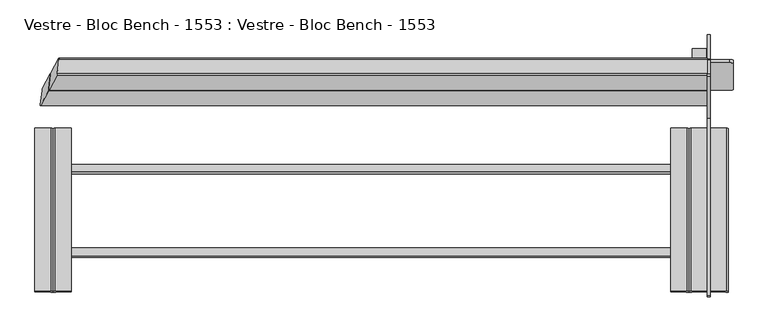
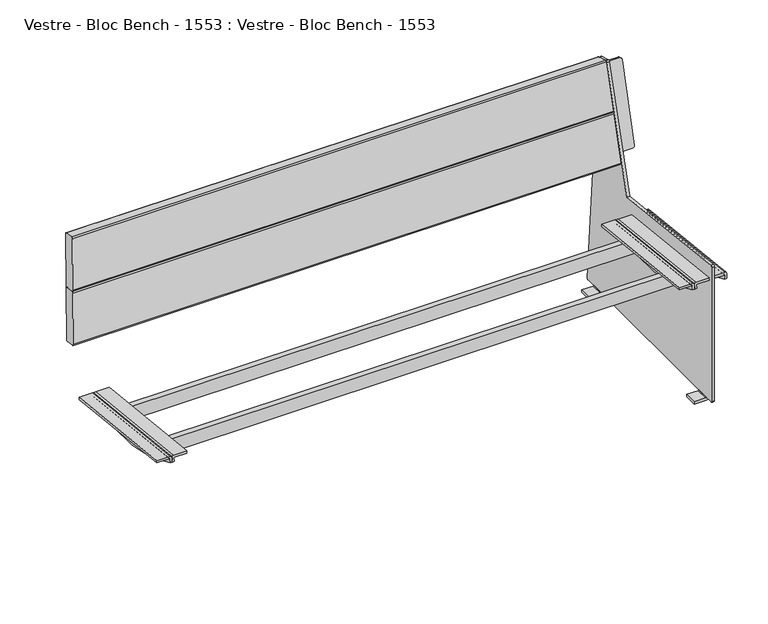
"""IFC4 building model written with IfcOpenShell, lengths in millimetres: furniture geometry, Vestre - Bloc Bench - 1553 : Vestre - Bloc Bench - 1553."""

from ifc_helpers import new_model, si_unit, frame, origin, place, context, project, spatial, polyline, circle_curve, ellipse_curve, outline, extrude, source, transform, mapped, element, save
from ifc_brep_helpers import plane_surface, cylinder_surface, revolved_surface, advanced_brep


def vestre_bloc_bench_1553_vestre_bloc_bench_1553_79bab432(model_context):
    return source(origin(), model_context, "Body", "SolidModel", [
        advanced_brep(
        [(913.5831908, -321.0984876, 392.7020678), (913.5831908, 96.5595156, 347.1443157), (913.5831908, 98.3166022, 363.2605016), (913.5831908, -319.3437805, 408.7964286), (907.5875968, 96.5595156, 347.1443157), (907.5875968, -321.0984876, 392.7020678), (907.5875968, -319.8223825, 404.4066392), (907.5875968, 97.8380001, 358.8707122), (909.5831908, -318.9102447, 412.772865), (867.597952, -318.9102447, 412.772865), (867.597952, -319.7193007, 405.3521172), (906.6365161, -319.7193007, 405.3521172), (906.6365161, 97.941082, 359.8161902), (867.597952, 97.941082, 359.8161902), (867.597952, 98.750138, 367.236938), (909.5831908, 98.750138, 367.236938)],
        [
            (0, 1, circle_curve(frame((913.5831908, -59.7670647, 851.2475639), z_axis=(1.0, 0.0, 0.0), x_axis=(0.0, -1.0, 0.0)), 527.7860216)),
            (1, 2),
            (2, 3),
            (3, 0),
            (4, 5, circle_curve(frame((907.5875968, -59.7670647, 851.2475639), z_axis=(-1.0, 0.0, 0.0), x_axis=(0.0, -1.0, 0.0)), 527.7860216)),
            (5, 6),
            (6, 7),
            (7, 4),
            (5, 0),
            (3, 8, circle_curve(frame((909.5831908, -319.3437805, 408.7964286), z_axis=(0.0, -0.9941091089617909, 0.10838394474826071), x_axis=(0.0, -0.10838394474826071, -0.9941091089617909)), 4.0)),
            (8, 9),
            (9, 10),
            (10, 11),
            (11, 6, circle_curve(frame((906.6365161, -319.8223825, 404.4066392), z_axis=(0.0, 0.9941091089617909, -0.10838394474826071), x_axis=(0.0, -0.10838394474826071, -0.9941091089617909)), 0.9510807)),
            (4, 1),
            (7, 12, circle_curve(frame((906.6365161, 97.8380001, 358.8707122), z_axis=(0.0, -0.9941091089617909, 0.10838394474826071), x_axis=(0.0, -0.10838394474826071, -0.9941091089617909)), 0.9510807)),
            (12, 13),
            (13, 14),
            (14, 15),
            (15, 2, circle_curve(frame((909.5831908, 98.3166022, 363.2605016), z_axis=(0.0, 0.9941091089617909, -0.10838394474826071), x_axis=(0.0, -0.10838394474826071, -0.9941091089617909)), 4.0)),
            (9, 14),
            (13, 10),
            (12, 11),
            (15, 8),
        ],
        [
            plane_surface(frame((913.5831908, -319.8564605, 404.0940726), z_axis=(1.0, 0.0, 0.0), x_axis=(0.0, -0.10838394474826007, -0.994109108961791))),
            plane_surface(frame((907.5875968, -319.8564605, 404.0940726), z_axis=(-1.0, 0.0, 0.0), x_axis=(0.0, 0.10838394474826007, 0.994109108961791))),
            plane_surface(frame((913.5831908, -319.8564605, 404.0940726), z_axis=(0.0, -0.994109108961791, 0.10838394474826007), x_axis=(-1.0, 0.0, 0.0))),
            cylinder_surface(frame((907.5875968, -59.7670647, 851.2475639), z_axis=(1.0, 0.0, 0.0), x_axis=(0.0, -1.0, 0.0)), 527.7860216),
            plane_surface(frame((913.5831908, 96.5595156, 347.1443157), z_axis=(0.0, 0.9941091089617916, -0.10838394474825458), x_axis=(-1.0, 0.0, 0.0))),
            plane_surface(frame((867.597952, -318.9102447, 412.772865), z_axis=(-1.0000000000000002, 0.0, 0.0), x_axis=(0.0, 0.994109108961791, -0.10838394474826066))),
            plane_surface(frame((867.597952, -319.7193007, 405.3521172), z_axis=(0.0, -0.10838394474826069, -0.994109108961791), x_axis=(0.0, 0.994109108961791, -0.10838394474826069))),
            revolved_surface(polyline([(906.6365161, 97.73491824228601, 357.9252342105562), (906.6365161, -319.92546445485533, 403.46116123677587)]), (906.6365161, 97.8380001, 358.8707122), (0.0, 0.9941091089617909, -0.10838394474826071)),
            cylinder_surface(frame((909.5831908, 98.3166022, 363.2605016), z_axis=(0.0, -0.9941091089617909, 0.10838394474826071), x_axis=(0.0, -0.10838394474826071, -0.9941091089617909)), 4.0),
            plane_surface(frame((909.5831908, -318.9102447, 412.772865), z_axis=(0.0, 0.10838394474826066, 0.994109108961791), x_axis=(0.0, 0.994109108961791, -0.10838394474826066))),
        ],
        [
            (0, [[1, 2, 3, 4]]),
            (1, [[5, 6, 7, 8]]),
            (2, [[-6, 9, -4, 10, 11, 12, 13, 14]]),
            (3, [[-1, -9, -5, 15]]),
            (4, [[-2, -15, -8, 16, 17, 18, 19, 20]]),
            (5, [[-12, 21, -18, 22]]),
            (6, [[-13, -22, -17, 23]]),
            (7, [[-14, -23, -16, -7]]),
            (8, [[-10, -3, -20, 24]]),
            (9, [[-11, -24, -19, -21]]),
        ],
    ),
        extrude(outline(polyline([(0.0, -19.9999999), (0.0, 0.0), (1612.8148813, 0.0), (1612.8148813, -19.9999999), (0.0, -19.9999999)])), frame((806.271869, -17.9230139, 331.2273795), z_axis=(0.0, 0.10862274800818965, 0.9940830441241564), x_axis=(-1.0, 0.0, 0.0)), (0.0, 0.0, 1.0), 40.0),
        extrude(outline(polyline([(0.0, -20.0), (0.0, 0.0), (1612.8148813, 0.0), (1612.8148813, -20.0), (0.0, -20.0)])), frame((806.271869, -232.1337214, 354.6340312), z_axis=(0.0, 0.10862274800818968, 0.9940830441241564), x_axis=(-1.0, 0.0, 0.0)), (0.0, 0.0, 1.0), 40.0),
        advanced_brep(
        [(766.5577736, -318.9102447, 412.772865), (766.5577736, -319.7193007, 405.3521172), (805.5963377, -319.7193007, 405.3521172), (806.5474184, -319.8223825, 404.4066392), (806.5474184, -321.0984876, 392.7020678), (812.5430123, -321.0984876, 392.7020678), (812.5430123, -319.8564605, 404.0940726), (812.5430123, -319.3437805, 408.7964286), (808.5430123, -318.9102447, 412.772865), (766.5577736, 98.750138, 367.236938), (808.5430123, 98.750138, 367.236938), (812.5430123, 98.3166022, 363.2605016), (812.5430123, 97.8039221, 358.5581456), (812.5430123, 96.5595156, 347.1443157), (806.5474184, 96.5595156, 347.1443157), (806.5474184, 97.8380001, 358.8707122), (805.5963377, 97.941082, 359.8161902), (766.5577736, 97.941082, 359.8161902)],
        [
            (0, 1),
            (1, 2),
            (2, 3, circle_curve(frame((805.5963377, -319.8223825, 404.4066392), z_axis=(0.0, 0.9941091089617909, -0.10838394474826071), x_axis=(0.0, -0.10838394474826071, -0.9941091089617909)), 0.9510807)),
            (3, 4),
            (4, 5),
            (5, 6),
            (6, 7),
            (7, 8, circle_curve(frame((808.5430123, -319.3437805, 408.7964286), z_axis=(0.0, -0.9941091089617909, 0.10838394474826071), x_axis=(0.0, -0.10838394474826071, -0.9941091089617909)), 4.0)),
            (8, 0),
            (9, 10),
            (10, 11, circle_curve(frame((808.5430123, 98.3166022, 363.2605016), z_axis=(0.0, 0.9941091089617909, -0.10838394474826071), x_axis=(0.0, -0.10838394474826071, -0.9941091089617909)), 4.0)),
            (11, 12),
            (12, 13),
            (13, 14),
            (14, 15),
            (15, 16, circle_curve(frame((805.5963377, 97.8380001, 358.8707122), z_axis=(0.0, -0.9941091089617909, 0.10838394474826071), x_axis=(0.0, -0.10838394474826071, -0.9941091089617909)), 0.9510807)),
            (16, 17),
            (17, 9),
            (0, 9),
            (17, 1),
            (16, 2),
            (15, 3),
            (14, 4, circle_curve(frame((806.5474184, -59.7670647, 851.2475639), z_axis=(-1.0, 0.0, 0.0), x_axis=(0.0, -1.0, 0.0)), 527.7860216)),
            (5, 13, circle_curve(frame((812.5430123, -59.7670647, 851.2475639), z_axis=(1.0, 0.0, 0.0), x_axis=(0.0, -1.0, 0.0)), 527.7860216)),
            (12, 6),
            (11, 7),
            (10, 8),
        ],
        [
            plane_surface(frame((766.5577736, -319.8423819, 404.223203), z_axis=(0.0, -0.9941091089617909, 0.10838394474826071), x_axis=(0.0, -0.10838394474826071, -0.9941091089617909))),
            plane_surface(frame((766.5577736, 97.8180007, 358.6872759), z_axis=(0.0, 0.9941091089617909, -0.10838394474826071), x_axis=(0.0, 0.10838394474826071, 0.9941091089617909))),
            plane_surface(frame((766.5577736, -318.9102447, 412.772865), z_axis=(-1.0000000000000002, 0.0, 0.0), x_axis=(0.0, 0.994109108961791, -0.10838394474826066))),
            plane_surface(frame((766.5577736, -319.7193007, 405.3521172), z_axis=(0.0, -0.10838394474826069, -0.994109108961791), x_axis=(0.0, 0.994109108961791, -0.10838394474826069))),
            revolved_surface(polyline([(805.5963377, 97.73491824228601, 357.9252342105562), (805.5963377, -319.92546445485533, 403.46116123677587)]), (805.5963377, 97.8380001, 358.8707122), (0.0, 0.9941091089617909, -0.10838394474826071)),
            plane_surface(frame((806.5474184, -319.8223825, 404.4066392), z_axis=(-1.0000000000000002, 0.0, 0.0), x_axis=(0.0, 0.994109108961791, -0.10838394474826064))),
            plane_surface(frame((812.5430123, -320.2027771, 400.9176199), z_axis=(1.0000000000000002, 0.0, 0.0), x_axis=(0.0, 0.994109108961791, -0.10838394474826066))),
            plane_surface(frame((812.5430123, -319.8564605, 404.0940726), z_axis=(1.0000000000000002, 0.0, 0.0), x_axis=(0.0, 0.994109108961791, -0.10838394474826066))),
            cylinder_surface(frame((808.5430123, 98.3166022, 363.2605016), z_axis=(0.0, -0.9941091089617909, 0.10838394474826071), x_axis=(0.0, -0.10838394474826071, -0.9941091089617909)), 4.0),
            plane_surface(frame((808.5430123, -318.9102447, 412.772865), z_axis=(0.0, 0.10838394474826066, 0.994109108961791), x_axis=(0.0, 0.994109108961791, -0.10838394474826066))),
            cylinder_surface(frame((806.5474184, -59.7670647, 851.2475639), z_axis=(1.0, 0.0, 0.0), x_axis=(0.0, -1.0, 0.0)), 527.7860216),
        ],
        [
            (0, [[1, 2, 3, 4, 5, 6, 7, 8, 9]]),
            (1, [[10, 11, 12, 13, 14, 15, 16, 17, 18]]),
            (2, [[-1, 19, -18, 20]]),
            (3, [[-2, -20, -17, 21]]),
            (4, [[-3, -21, -16, 22]]),
            (5, [[-4, -22, -15, 23]]),
            (6, [[-6, 24, -13, 25]]),
            (7, [[-7, -25, -12, 26]]),
            (8, [[-8, -26, -11, 27]]),
            (9, [[-9, -27, -10, -19]]),
            (10, [[-24, -5, -23, -14]]),
        ],
    ),
        advanced_brep(
        [(813.6175866, 96.5595156, 347.1443157), (813.6175866, -321.0984876, 392.7020678), (813.6175866, -319.360624, 408.6419375), (813.6175866, 98.2997586, 363.1060105), (819.6131806, -321.0984876, 392.7020678), (819.6131806, 96.5595156, 347.1443157), (819.6131806, 97.8380001, 358.8707122), (819.6131806, -319.8223825, 404.4066392), (820.5642613, -319.7193007, 405.3521172), (859.6028254, -319.7193007, 405.3521172), (859.6028254, -318.9270883, 412.6183739), (817.6175866, -318.9270883, 412.6183739), (817.6175866, 98.7332944, 367.0824469), (859.6028254, 98.7332944, 367.0824469), (859.6028254, 97.941082, 359.8161902), (820.5642613, 97.941082, 359.8161902)],
        [
            (0, 1, circle_curve(frame((813.6175866, -59.7670647, 851.2475639), z_axis=(-1.0, 0.0, 0.0), x_axis=(0.0, -1.0, 0.0)), 527.7860216)),
            (1, 2),
            (2, 3),
            (3, 0),
            (4, 5, circle_curve(frame((819.6131806, -59.7670647, 851.2475639), z_axis=(1.0, 0.0, 0.0), x_axis=(0.0, -1.0, 0.0)), 527.7860216)),
            (5, 6),
            (6, 7),
            (7, 4),
            (1, 4),
            (7, 8, circle_curve(frame((820.5642613, -319.8223825, 404.4066392), z_axis=(0.0, 0.9941091089617909, -0.10838394474826071), x_axis=(0.0, -0.10838394474826071, -0.9941091089617909)), 0.9510807)),
            (8, 9),
            (9, 10),
            (10, 11),
            (11, 2, circle_curve(frame((817.6175866, -319.360624, 408.6419375), z_axis=(0.0, -0.9941091089617909, 0.10838394474826071), x_axis=(0.0, -0.10838394474826071, -0.9941091089617909)), 4.0)),
            (0, 5),
            (3, 12, circle_curve(frame((817.6175866, 98.2997586, 363.1060105), z_axis=(0.0, 0.9941091089617909, -0.10838394474826071), x_axis=(0.0, -0.10838394474826071, -0.9941091089617909)), 4.0)),
            (12, 13),
            (13, 14),
            (14, 15),
            (15, 6, circle_curve(frame((820.5642613, 97.8380001, 358.8707122), z_axis=(0.0, -0.9941091089617909, 0.10838394474826071), x_axis=(0.0, -0.10838394474826071, -0.9941091089617909)), 0.9510807)),
            (9, 14),
            (13, 10),
            (8, 15),
            (11, 12),
        ],
        [
            plane_surface(frame((813.6175866, 97.8039221, 358.5581456), z_axis=(-1.0, 0.0, 0.0), x_axis=(0.0, 0.9941091089617913, -0.10838394474825762))),
            plane_surface(frame((819.6131806, 97.8039221, 358.5581456), z_axis=(1.0, 0.0, 0.0), x_axis=(0.0, -0.9941091089617913, 0.10838394474825762))),
            plane_surface(frame((813.6175866, -321.0984876, 392.7020678), z_axis=(0.0, -0.9941091089617909, 0.10838394474826071), x_axis=(1.0, 0.0, 0.0))),
            cylinder_surface(frame((819.6131806, -59.7670647, 851.2475639), z_axis=(-1.0, 0.0, 0.0), x_axis=(0.0, -1.0, 0.0)), 527.7860216),
            plane_surface(frame((813.6175866, 97.8039221, 358.5581456), z_axis=(0.0, 0.9941091089617916, -0.10838394474825458), x_axis=(1.0, 0.0, 0.0))),
            plane_surface(frame((859.6028254, -319.7193007, 405.3521172), z_axis=(1.0000000000000002, 0.0, 0.0), x_axis=(0.0, 0.994109108961791, -0.10838394474826066))),
            plane_surface(frame((820.5642613, -319.7193007, 405.3521172), z_axis=(0.0, -0.10838394474826066, -0.994109108961791), x_axis=(0.0, 0.994109108961791, -0.10838394474826066))),
            revolved_surface(polyline([(820.5642613, 97.73491824228601, 357.9252342105562), (820.5642613, -319.92546445485533, 403.46116123677587)]), (820.5642613, 97.8380001, 358.8707122), (0.0, 0.9941091089617909, -0.10838394474826071)),
            cylinder_surface(frame((817.6175866, 98.2997586, 363.1060105), z_axis=(0.0, -0.9941091089617909, 0.10838394474826071), x_axis=(0.0, -0.10838394474826071, -0.9941091089617909)), 4.0),
            plane_surface(frame((859.6028254, -318.9270883, 412.6183739), z_axis=(0.0, 0.10838394474826066, 0.994109108961791), x_axis=(0.0, 0.994109108961791, -0.10838394474826066))),
        ],
        [
            (0, [[1, 2, 3, 4]]),
            (1, [[5, 6, 7, 8]]),
            (2, [[-2, 9, -8, 10, 11, 12, 13, 14]]),
            (3, [[-1, 15, -5, -9]]),
            (4, [[-6, -15, -4, 16, 17, 18, 19, 20]]),
            (5, [[-12, 21, -18, 22]]),
            (6, [[-11, 23, -19, -21]]),
            (7, [[-10, -7, -20, -23]]),
            (8, [[-14, 24, -16, -3]]),
            (9, [[-13, -22, -17, -24]]),
        ],
    ),
        advanced_brep(
        [(-766.5577736, -318.8898286, 412.9601231), (-808.5430123, -318.8898286, 412.9601231), (-812.5430123, -319.3233644, 408.9836866), (-812.5430123, -319.8564605, 404.0940726), (-812.5430123, -321.0984876, 392.7020678), (-806.5474184, -321.0984876, 392.7020678), (-806.5474184, -319.8223825, 404.4066392), (-805.5963377, -319.7193007, 405.3521172), (-766.5577736, -319.7193007, 405.3521172), (-766.5577736, 98.770554, 367.4241961), (-766.5577736, 97.941082, 359.8161902), (-805.5963377, 97.941082, 359.8161902), (-806.5474184, 97.8380001, 358.8707122), (-806.5474184, 96.5595156, 347.1443157), (-812.5430123, 96.5595156, 347.1443157), (-812.5430123, 97.8039221, 358.5581456), (-812.5430123, 98.3370182, 363.4477596), (-808.5430123, 98.770554, 367.4241961)],
        [
            (0, 1),
            (1, 2, circle_curve(frame((-808.5430123, -319.3233644, 408.9836866), z_axis=(0.0, -0.9941091089617909, 0.10838394474826071), x_axis=(0.0, -0.10838394474826071, -0.9941091089617909)), 4.0)),
            (2, 3),
            (3, 4),
            (4, 5),
            (5, 6),
            (6, 7, circle_curve(frame((-805.5963377, -319.8223825, 404.4066392), z_axis=(0.0, 0.9941091089617909, -0.10838394474826071), x_axis=(0.0, -0.10838394474826071, -0.9941091089617909)), 0.9510807)),
            (7, 8),
            (8, 0),
            (9, 10),
            (10, 11),
            (11, 12, circle_curve(frame((-805.5963377, 97.8380001, 358.8707122), z_axis=(0.0, -0.9941091089617909, 0.10838394474826071), x_axis=(0.0, -0.10838394474826071, -0.9941091089617909)), 0.9510807)),
            (12, 13),
            (13, 14),
            (14, 15),
            (15, 16),
            (16, 17, circle_curve(frame((-808.5430123, 98.3370182, 363.4477596), z_axis=(0.0, 0.9941091089617909, -0.10838394474826071), x_axis=(0.0, -0.10838394474826071, -0.9941091089617909)), 4.0)),
            (17, 9),
            (8, 10),
            (9, 0),
            (7, 11),
            (6, 12),
            (5, 13, circle_curve(frame((-806.5474184, -59.7670647, 851.2475639), z_axis=(1.0, 0.0, 0.0), x_axis=(0.0, -1.0, 0.0)), 527.7860216)),
            (3, 15),
            (14, 4, circle_curve(frame((-812.5430123, -59.7670647, 851.2475639), z_axis=(-1.0, 0.0, 0.0), x_axis=(0.0, -1.0, 0.0)), 527.7860216)),
            (2, 16),
            (1, 17),
        ],
        [
            plane_surface(frame((-812.5430123, -318.8898286, 412.9601231), z_axis=(0.0, -0.9941091089617909, 0.10838394474826071), x_axis=(-1.0, 0.0, 0.0))),
            plane_surface(frame((-812.5430123, 98.770554, 367.4241961), z_axis=(0.0, 0.9941091089617909, -0.10838394474826071), x_axis=(1.0, 0.0, 0.0))),
            plane_surface(frame((-766.5577736, -319.7193007, 405.3521172), z_axis=(1.0000000000000002, 0.0, 0.0), x_axis=(0.0, 0.994109108961791, -0.10838394474826069))),
            plane_surface(frame((-805.5963377, -319.7193007, 405.3521172), z_axis=(0.0, -0.10838394474826069, -0.994109108961791), x_axis=(0.0, 0.994109108961791, -0.10838394474826069))),
            revolved_surface(polyline([(-805.5963377, 97.73491824228601, 357.9252342105562), (-805.5963377, -319.92546445485533, 403.46116123677587)]), (-805.5963377, 97.8380001, 358.8707122), (0.0, 0.9941091089617909, -0.10838394474826071)),
            plane_surface(frame((-806.5474184, -320.2027771, 400.9176199), z_axis=(1.0000000000000002, 0.0, 0.0), x_axis=(0.0, 0.994109108961791, -0.10838394474826066))),
            plane_surface(frame((-812.5430123, -319.8564605, 404.0940726), z_axis=(-1.0000000000000002, 0.0, 0.0), x_axis=(0.0, 0.994109108961791, -0.10838394474826066))),
            plane_surface(frame((-812.5430123, -319.3233644, 408.9836866), z_axis=(-1.0000000000000002, 0.0, 0.0), x_axis=(0.0, 0.994109108961791, -0.10838394474826066))),
            cylinder_surface(frame((-808.5430123, 98.3370182, 363.4477596), z_axis=(0.0, -0.9941091089617909, 0.10838394474826071), x_axis=(0.0, -0.10838394474826071, -0.9941091089617909)), 4.0),
            plane_surface(frame((-766.5577736, -318.8898286, 412.9601231), z_axis=(0.0, 0.10838394474826066, 0.994109108961791), x_axis=(0.0, 0.994109108961791, -0.10838394474826066))),
            cylinder_surface(frame((-806.5474184, -59.7670647, 851.2475639), z_axis=(-1.0, 0.0, 0.0), x_axis=(0.0, -1.0, 0.0)), 527.7860216),
        ],
        [
            (0, [[1, 2, 3, 4, 5, 6, 7, 8, 9]]),
            (1, [[10, 11, 12, 13, 14, 15, 16, 17, 18]]),
            (2, [[-9, 19, -10, 20]]),
            (3, [[-8, 21, -11, -19]]),
            (4, [[-7, 22, -12, -21]]),
            (5, [[-13, -22, -6, 23]]),
            (6, [[-4, 24, -15, 25]]),
            (7, [[-3, 26, -16, -24]]),
            (8, [[-2, 27, -17, -26]]),
            (9, [[-1, -20, -18, -27]]),
            (10, [[-25, -14, -23, -5]]),
        ],
    ),
        advanced_brep(
        [(-813.6175866, -321.0984876, 392.7020678), (-813.6175866, 96.5595156, 347.1443157), (-813.6175866, 98.3286043, 363.3705861), (-813.6175866, -319.3317784, 408.9065131), (-819.6131806, 96.5595156, 347.1443157), (-819.6131806, -321.0984876, 392.7020678), (-819.6131806, -319.8223825, 404.4066392), (-819.6131806, 97.8380001, 358.8707122), (-817.6175866, -318.8982426, 412.8829495), (-859.6028254, -318.8982426, 412.8829495), (-859.6028254, -319.7193007, 405.3521172), (-820.5642613, -319.7193007, 405.3521172), (-820.5642613, 97.941082, 359.8161902), (-859.6028254, 97.941082, 359.8161902), (-859.6028254, 98.76214, 367.3470225), (-817.6175866, 98.76214, 367.3470225)],
        [
            (0, 1, circle_curve(frame((-813.6175866, -59.7670647, 851.2475639), z_axis=(1.0, 0.0, 0.0), x_axis=(0.0, -1.0, 0.0)), 527.7860216)),
            (1, 2),
            (2, 3),
            (3, 0),
            (4, 5, circle_curve(frame((-819.6131806, -59.7670647, 851.2475639), z_axis=(-1.0, 0.0, 0.0), x_axis=(0.0, -1.0, 0.0)), 527.7860216)),
            (5, 6),
            (6, 7),
            (7, 4),
            (5, 0),
            (3, 8, circle_curve(frame((-817.6175866, -319.3317784, 408.9065131), z_axis=(0.0, -0.9941091089617909, 0.10838394474826071), x_axis=(0.0, -0.10838394474826071, -0.9941091089617909)), 4.0)),
            (8, 9),
            (9, 10),
            (10, 11),
            (11, 6, circle_curve(frame((-820.5642613, -319.8223825, 404.4066392), z_axis=(0.0, 0.9941091089617909, -0.10838394474826071), x_axis=(0.0, -0.10838394474826071, -0.9941091089617909)), 0.9510807)),
            (4, 1),
            (7, 12, circle_curve(frame((-820.5642613, 97.8380001, 358.8707122), z_axis=(0.0, -0.9941091089617909, 0.10838394474826071), x_axis=(0.0, -0.10838394474826071, -0.9941091089617909)), 0.9510807)),
            (12, 13),
            (13, 14),
            (14, 15),
            (15, 2, circle_curve(frame((-817.6175866, 98.3286043, 363.3705861), z_axis=(0.0, 0.9941091089617909, -0.10838394474826071), x_axis=(0.0, -0.10838394474826071, -0.9941091089617909)), 4.0)),
            (9, 14),
            (13, 10),
            (12, 11),
            (15, 8),
        ],
        [
            plane_surface(frame((-813.6175866, -319.8564605, 404.0940726), z_axis=(1.0, 0.0, 0.0), x_axis=(0.0, -0.10838394474826071, -0.9941091089617909))),
            plane_surface(frame((-819.6131806, -319.8564605, 404.0940726), z_axis=(-1.0, 0.0, 0.0), x_axis=(0.0, 0.10838394474826071, 0.9941091089617909))),
            plane_surface(frame((-813.6175866, -319.8564605, 404.0940726), z_axis=(0.0, -0.9941091089617909, 0.10838394474826071), x_axis=(-1.0, 0.0, 0.0))),
            cylinder_surface(frame((-819.6131806, -59.7670647, 851.2475639), z_axis=(1.0, 0.0, 0.0), x_axis=(0.0, -1.0, 0.0)), 527.7860216),
            plane_surface(frame((-813.6175866, 96.5595156, 347.1443157), z_axis=(0.0, 0.9941091089617916, -0.10838394474825458), x_axis=(-1.0, 0.0, 0.0))),
            plane_surface(frame((-859.6028254, -318.8982426, 412.8829495), z_axis=(-1.0000000000000002, 0.0, 0.0), x_axis=(0.0, 0.994109108961791, -0.10838394474826066))),
            plane_surface(frame((-859.6028254, -319.7193007, 405.3521172), z_axis=(0.0, -0.10838394474826069, -0.994109108961791), x_axis=(0.0, 0.994109108961791, -0.10838394474826069))),
            revolved_surface(polyline([(-820.5642613, 97.73491824228601, 357.9252342105562), (-820.5642613, -319.92546445485533, 403.46116123677587)]), (-820.5642613, 97.8380001, 358.8707122), (0.0, 0.9941091089617909, -0.10838394474826071)),
            cylinder_surface(frame((-817.6175866, 98.3286043, 363.3705861), z_axis=(0.0, -0.9941091089617909, 0.10838394474826071), x_axis=(0.0, -0.10838394474826071, -0.9941091089617909)), 4.0),
            plane_surface(frame((-817.6175866, -318.8982426, 412.8829495), z_axis=(0.0, 0.10838394474826066, 0.994109108961791), x_axis=(0.0, 0.994109108961791, -0.10838394474826066))),
        ],
        [
            (0, [[1, 2, 3, 4]]),
            (1, [[5, 6, 7, 8]]),
            (2, [[-6, 9, -4, 10, 11, 12, 13, 14]]),
            (3, [[-1, -9, -5, 15]]),
            (4, [[-2, -15, -8, 16, 17, 18, 19, 20]]),
            (5, [[-12, 21, -18, 22]]),
            (6, [[-13, -22, -17, 23]]),
            (7, [[-14, -23, -16, -7]]),
            (8, [[-10, -3, -20, 24]]),
            (9, [[-11, -24, -19, -21]]),
        ],
    ),
        advanced_brep(
        [(859.6028254, 235.4059649, 633.1501572), (859.6028254, 240.3226727, 635.9476951), (859.6028254, 278.4569523, 774.7668691), (859.6028254, 275.659435, 779.6835409), (859.6028254, 239.9813274, 789.4847667), (859.6028254, 235.0646195, 786.687229), (859.6028254, 196.9303315, 647.8680552), (859.6028254, 199.727849, 642.9513832), (-819.7309514, 235.4059649, 633.1501572), (-818.7346819, 240.3226727, 635.9476951), (-798.1878321, 278.4569523, 774.7668691), (-798.0423005, 275.659435, 779.6835409), (-801.9769125, 239.9813274, 789.4847667), (-802.973182, 235.0646195, 786.687229), (-823.520033, 196.9303315, 647.8680552), (-823.6655646, 199.727849, 642.9513832)],
        [
            (0, 1, circle_curve(frame((859.6028254, 236.46556, 637.0072621), z_axis=(1.0, 0.0, 0.0), x_axis=(0.0, -1.0, 0.0)), 4.0)),
            (1, 2),
            (2, 3, circle_curve(frame((859.6028254, 274.5998397, 775.8264361), z_axis=(1.0, 0.0, 0.0), x_axis=(0.0, -1.0, 0.0)), 4.0)),
            (3, 4),
            (4, 5, circle_curve(frame((859.6028254, 238.921732, 785.6276619), z_axis=(1.0, 0.0, 0.0), x_axis=(0.0, -1.0, 0.0)), 4.0)),
            (5, 6),
            (6, 7, circle_curve(frame((859.6028254, 200.7874441, 646.8084881), z_axis=(1.0, 0.0, 0.0), x_axis=(0.0, -1.0, 0.0)), 4.0)),
            (7, 0),
            (0, 8),
            (8, 9, ellipse_curve(frame((-819.1600509, 236.46556, 637.0072621), z_axis=(0.9845272064646965, -0.13817840671662354, -0.10776320173452705), x_axis=(0.17523178858535, 0.7763454442639469, 0.6054598016712538)), 4.0628639, 4.0)),
            (9, 1),
            (9, 10),
            (10, 2),
            (10, 11, ellipse_curve(frame((-798.613201, 274.5998397, 775.8264361), z_axis=(0.9845272064646965, -0.13817840671662354, -0.10776320173452705), x_axis=(0.17523178858535, 0.7763454442639469, 0.6054598016712538)), 4.0628639, 4.0)),
            (11, 3),
            (11, 12),
            (12, 4),
            (12, 13, ellipse_curve(frame((-802.5478131, 238.921732, 785.6276619), z_axis=(0.9845272064646965, -0.13817840671662354, -0.10776320173452705), x_axis=(0.17523178858535, 0.7763454442639469, 0.6054598016712538)), 4.0628639, 4.0)),
            (13, 5),
            (13, 14),
            (14, 6),
            (14, 15, ellipse_curve(frame((-823.094664, 200.7874441, 646.8084881), z_axis=(0.9845272064646965, -0.13817840671662354, -0.10776320173452705), x_axis=(0.17523178858535, 0.7763454442639469, 0.6054598016712538)), 4.0628639, 4.0)),
            (15, 7),
            (15, 8),
        ],
        [
            plane_surface(frame((859.6028254, 232.46556, 637.0072621), z_axis=(1.0, 0.0, 0.0), x_axis=(0.0, 0.0, -1.0))),
            cylinder_surface(frame((-826.6787284, 236.46556, 637.0072621), z_axis=(1.0, 0.0, 0.0), x_axis=(0.0, -1.0, 0.0)), 4.0),
            plane_surface(frame((859.6028254, 240.3226727, 635.9476951), z_axis=(0.0, 0.9642781573688652, -0.26489174245586833), x_axis=(-1.0, 0.0, 0.0))),
            cylinder_surface(frame((-826.6787284, 274.5998397, 775.8264361), z_axis=(1.0, 0.0, 0.0), x_axis=(0.0, -1.0, 0.0)), 4.0),
            plane_surface(frame((859.6028254, 275.659435, 779.6835409), z_axis=(0.0, 0.26489882655000385, 0.9642762113069216), x_axis=(-1.0, 0.0, 0.0))),
            cylinder_surface(frame((-826.6787284, 238.921732, 785.6276619), z_axis=(1.0, 0.0, 0.0), x_axis=(0.0, -1.0, 0.0)), 4.0),
            plane_surface(frame((859.6028254, 235.0646195, 786.687229), z_axis=(0.0, -0.9642781425237718, 0.2648917964960496), x_axis=(-1.0, 0.0, 0.0))),
            cylinder_surface(frame((-826.6787284, 200.7874441, 646.8084881), z_axis=(1.0, 0.0, 0.0), x_axis=(0.0, -1.0, 0.0)), 4.0),
            plane_surface(frame((859.6028254, 199.727849, 642.9513832), z_axis=(0.0, -0.2648987750760453, -0.9642762254474653), x_axis=(-1.0, 0.0, 0.0))),
            plane_surface(frame((-793.2522903, 301.2991797, 790.568855), z_axis=(-0.9845272064646965, 0.13817840671662354, 0.10776320173452705), x_axis=(-0.1021320908307662, -0.9522059736125505, 0.28787639680791977))),
        ],
        [
            (0, [[1, 2, 3, 4, 5, 6, 7, 8]]),
            (1, [[-1, 9, 10, 11]]),
            (2, [[-2, -11, 12, 13]]),
            (3, [[-3, -13, 14, 15]]),
            (4, [[-4, -15, 16, 17]]),
            (5, [[-5, -17, 18, 19]]),
            (6, [[-6, -19, 20, 21]]),
            (7, [[-7, -21, 22, 23]]),
            (8, [[-8, -23, 24, -9]]),
            (9, [[-10, -24, -22, -20, -18, -16, -14, -12]]),
        ],
    ),
        advanced_brep(
        [(859.6028254, 195.1325032, 486.5435624), (859.6028254, 200.049211, 489.3411004), (859.6028254, 238.2035933, 628.2334538), (859.6028254, 235.406076, 633.1501256), (859.6028254, 199.7279686, 642.9513513), (859.6028254, 194.8112608, 640.1538137), (859.6028254, 156.6568701, 501.2614604), (859.6028254, 159.4543876, 496.3447884), (-841.4304217, 195.1325032, 486.5435624), (-840.4341521, 200.049211, 489.3411004), (-819.8764709, 238.2035933, 628.2334538), (-819.7309393, 235.406076, 633.1501256), (-823.6655513, 199.7279686, 642.9513513), (-824.6618208, 194.8112608, 640.1538137), (-845.2195032, 156.6568701, 501.2614604), (-845.3650348, 159.4543876, 496.3447884)],
        [
            (0, 1, circle_curve(frame((859.6028254, 196.1920983, 490.4006673), z_axis=(1.0, 0.0, 0.0), x_axis=(0.0, -1.0, 0.0)), 4.0)),
            (1, 2),
            (2, 3, circle_curve(frame((859.6028254, 234.3464807, 629.2930208), z_axis=(1.0, 0.0, 0.0), x_axis=(0.0, -1.0, 0.0)), 4.0)),
            (3, 4),
            (4, 5, circle_curve(frame((859.6028254, 198.6683733, 639.0942465), z_axis=(1.0, 0.0, 0.0), x_axis=(0.0, -1.0, 0.0)), 4.0)),
            (5, 6),
            (6, 7, circle_curve(frame((859.6028254, 160.5139827, 500.2018933), z_axis=(1.0, 0.0, 0.0), x_axis=(0.0, -1.0, 0.0)), 4.0)),
            (7, 0),
            (0, 8),
            (8, 9, ellipse_curve(frame((-840.8595211, 196.1920983, 490.4006673), z_axis=(0.9845272064646965, -0.13817840671662354, -0.10776320173452705), x_axis=(0.17523178858535, 0.7763454442639469, 0.6054598016712538)), 4.0628639, 4.0)),
            (9, 1),
            (9, 10),
            (10, 2),
            (10, 11, ellipse_curve(frame((-820.3018399, 234.3464807, 629.2930208), z_axis=(0.9845272064646965, -0.13817840671662354, -0.10776320173452705), x_axis=(0.17523178858535, 0.7763454442639469, 0.6054598016712538)), 4.0628639, 4.0)),
            (11, 3),
            (11, 12),
            (12, 4),
            (12, 13, ellipse_curve(frame((-824.2364519, 198.6683733, 639.0942465), z_axis=(0.9845272064646965, -0.13817840671662354, -0.10776320173452705), x_axis=(0.17523178858535, 0.7763454442639469, 0.6054598016712538)), 4.0628639, 4.0)),
            (13, 5),
            (13, 14),
            (14, 6),
            (14, 15, ellipse_curve(frame((-844.7941343, 160.5139827, 500.2018933), z_axis=(0.9845272064646965, -0.13817840671662354, -0.10776320173452705), x_axis=(0.17523178858535, 0.7763454442639469, 0.6054598016712538)), 4.0628639, 4.0)),
            (15, 7),
            (15, 8),
        ],
        [
            plane_surface(frame((859.6028254, 192.1920983, 490.4006673), z_axis=(1.0, 0.0, 0.0), x_axis=(0.0, 0.0, -1.0))),
            cylinder_surface(frame((-849.4957131, 196.1920983, 490.4006673), z_axis=(1.0, 0.0, 0.0), x_axis=(0.0, -1.0, 0.0)), 4.0),
            plane_surface(frame((859.6028254, 200.049211, 489.3411004), z_axis=(0.0, 0.9642781573688652, -0.2648917424558685), x_axis=(-1.0, 0.0, 0.0))),
            cylinder_surface(frame((-849.4957131, 234.3464807, 629.2930208), z_axis=(1.0, 0.0, 0.0), x_axis=(0.0, -1.0, 0.0)), 4.0),
            plane_surface(frame((859.6028254, 235.406076, 633.1501256), z_axis=(0.0, 0.26489882655000274, 0.964276211306922), x_axis=(-1.0, 0.0, 0.0))),
            cylinder_surface(frame((-849.4957131, 198.6683733, 639.0942465), z_axis=(1.0, 0.0, 0.0), x_axis=(0.0, -1.0, 0.0)), 4.0),
            plane_surface(frame((859.6028254, 194.8112608, 640.1538137), z_axis=(0.0, -0.9642781425237718, 0.26489179649604955), x_axis=(-1.0, 0.0, 0.0))),
            cylinder_surface(frame((-849.4957131, 160.5139827, 500.2018933), z_axis=(1.0, 0.0, 0.0), x_axis=(0.0, -1.0, 0.0)), 4.0),
            plane_surface(frame((859.6028254, 159.4543876, 496.3447884), z_axis=(0.0, -0.2648987750760446, -0.9642762254474654), x_axis=(-1.0, 0.0, 0.0))),
            plane_surface(frame((-793.2522903, 301.2991797, 790.568855), z_axis=(-0.9845272064646965, 0.13817840671662354, 0.10776320173452705), x_axis=(-0.1021320908307662, -0.9522059736125505, 0.28787639680791977))),
        ],
        [
            (0, [[1, 2, 3, 4, 5, 6, 7, 8]]),
            (1, [[-1, 9, 10, 11]]),
            (2, [[-2, -11, 12, 13]]),
            (3, [[-3, -13, 14, 15]]),
            (4, [[-4, -15, 16, 17]]),
            (5, [[-5, -17, 18, 19]]),
            (6, [[-6, -19, 20, 21]]),
            (7, [[-7, -21, 22, 23]]),
            (8, [[-8, -23, 24, -9]]),
            (9, [[-10, -24, -22, -20, -18, -16, -14, -12]]),
        ],
    ),
        advanced_brep(
        [(858.6003844, -303.3438949, 8.0), (821.9566967, -303.3438949, 8.0), (821.9566967, -303.3438949, 0.0), (859.6603529, -303.3438949, 0.0), (867.597952, -303.3438949, 8.2703475), (867.597952, -303.3438949, 9.9939083), (859.6028254, -303.3438949, 9.9939083), (859.6350395, -303.3438949, 9.0714168), (858.6003844, -263.3438949, 8.0), (859.6350395, -263.3438949, 9.0714168), (859.6028254, -263.3438949, 9.9939083), (867.597952, -263.3438949, 9.9939083), (867.597952, -263.3438949, 8.2703475), (859.6603529, -263.3438949, 0.0), (821.9566967, -263.3438949, 0.0), (821.9566967, -263.3438949, 8.0), (867.597952, 263.3438949, 9.9939083), (867.597952, 263.3438949, 8.2703475), (867.597952, 303.3438949, 8.2703475), (867.597952, 303.3438949, 9.9939083), (867.597952, 333.4689177, 9.9939083), (867.597952, 337.9730339, 14.8728063), (867.597952, 277.1566995, 774.9551128), (867.597952, 274.3468487, 778.4752692), (867.597952, 238.3303782, 789.7481242), (867.597952, 232.0299603, 786.3524949), (867.597952, 124.0037736, 409.002818), (867.597952, -328.5276597, 459.1940384), (867.597952, -333.3438949, 454.8824491), (867.597952, -333.3438949, 13.9003186), (867.597952, -329.4374846, 9.9939083), (867.597952, 274.7465208, 758.1308321), (867.597952, 204.7655811, 503.5745242), (867.597952, 196.4909665, 505.8493039), (867.597952, 266.4718966, 760.4056371), (858.6003844, 303.3438949, 8.0), (859.6350395, 303.3438949, 9.0714168), (859.6028254, 303.3438949, 9.9939083), (859.6603529, 303.3438949, 0.0), (821.9566967, 303.3438949, 0.0), (821.9566967, 303.3438949, 8.0), (858.6003844, 263.3438949, 8.0), (821.9566967, 263.3438949, 8.0), (821.9566967, 263.3438949, 0.0), (859.6603529, 263.3438949, 0.0), (859.6028254, 263.3438949, 9.9939083), (859.6350395, 263.3438949, 9.0714168), (859.6028254, -333.3438949, 454.8824491), (859.6028254, -328.5276597, 459.1940384), (859.6028254, 124.0037736, 409.002818), (859.6028254, 232.0299603, 786.3524949), (859.6028254, 238.3303782, 789.7481242), (859.6028254, 274.3468487, 778.4752692), (859.6028254, 277.1566995, 774.9551128), (859.6028254, 337.9730339, 14.8728063), (859.6028254, 333.4689177, 9.9939083), (859.6028254, -329.4374846, 9.9939083), (859.6028254, -333.3438949, 13.9003186), (859.6028254, 204.7656711, 503.5744995), (859.6028254, 274.7466108, 758.1308073), (859.6028254, 266.471912, 760.4056329), (859.6028254, 196.491047, 505.8493045), (809.1212977, 204.6742237, 503.5014558), (801.190027, 206.4783878, 510.1049054), (801.190027, 272.5492033, 750.4381004), (809.1900196, 274.6803491, 758.1490236), (809.2017175, 266.4057403, 760.4238244), (801.201725, 264.2745945, 752.7129012), (801.201725, 198.2037791, 512.3797062), (809.1329957, 196.3996149, 505.7762566), (917.9422477, 274.6803491, 758.1490236), (925.9422403, 272.5492033, 750.4381004), (925.9422403, 206.4783878, 510.1049054), (918.0109696, 204.6742237, 503.5014558), (917.9992716, 196.3996149, 505.7762566), (925.9305423, 198.2037791, 512.3797062), (925.9305423, 264.2745945, 752.7129012), (917.9305497, 266.4057403, 760.4238244)],
        [
            (0, 1),
            (1, 2),
            (2, 3),
            (3, 4, circle_curve(frame((859.32063, -303.3438949, 8.2703475), z_axis=(0.0, -1.0, 0.0), x_axis=(-1.0, 0.0, 0.0)), 8.277322)),
            (4, 5),
            (5, 6),
            (6, 7),
            (7, 0, circle_curve(frame((858.6003844, -303.3438949, 9.0352858), z_axis=(0.0, 1.0, 0.0), x_axis=(-1.0, 0.0, 0.0)), 1.0352858)),
            (8, 9, circle_curve(frame((858.6003844, -263.3438949, 9.0352858), z_axis=(0.0, -1.0, 0.0), x_axis=(-1.0, 0.0, 0.0)), 1.0352858)),
            (9, 10),
            (10, 11),
            (11, 12),
            (12, 13, circle_curve(frame((859.32063, -263.3438949, 8.2703475), z_axis=(0.0, 1.0, 0.0), x_axis=(-1.0, 0.0, 0.0)), 8.277322)),
            (13, 14),
            (14, 15),
            (15, 8),
            (7, 9),
            (8, 0),
            (6, 10),
            (2, 14),
            (13, 3),
            (1, 15),
            (4, 12),
            (11, 16),
            (16, 17),
            (17, 18),
            (18, 19),
            (19, 20),
            (20, 21, circle_curve(frame((867.597952, 333.4689177, 14.5124193), z_axis=(1.0, 0.0, 0.0), x_axis=(0.0, 1.0, 0.0)), 4.518511)),
            (21, 22),
            (22, 23, circle_curve(frame((867.597952, 273.1445925, 774.6340928), z_axis=(1.0, 0.0, 0.0), x_axis=(0.0, 1.0, 0.0)), 4.0249293)),
            (23, 24),
            (24, 25, circle_curve(frame((867.597952, 236.836866, 784.9763928), z_axis=(1.0, 0.0, 0.0), x_axis=(0.0, 1.0, 0.0)), 5.0)),
            (25, 26),
            (26, 27),
            (27, 28, circle_curve(frame((867.597952, -329.0058672, 454.8824491), z_axis=(1.0, 0.0, 0.0), x_axis=(0.0, 1.0, 0.0)), 4.3380277)),
            (28, 29),
            (29, 30, circle_curve(frame((867.597952, -329.4374846, 13.9003186), z_axis=(1.0, 0.0, 0.0), x_axis=(0.0, 1.0, 0.0)), 3.9064104)),
            (30, 5),
            (31, 32),
            (32, 33),
            (33, 34),
            (34, 31),
            (35, 36, circle_curve(frame((858.6003844, 303.3438949, 9.0352858), z_axis=(0.0, -1.0, 0.0), x_axis=(-1.0, 0.0, 0.0)), 1.0352858)),
            (36, 37),
            (37, 19),
            (18, 38, circle_curve(frame((859.32063, 303.3438949, 8.2703475), z_axis=(0.0, 1.0, 0.0), x_axis=(-1.0, 0.0, 0.0)), 8.277322)),
            (38, 39),
            (39, 40),
            (40, 35),
            (41, 42),
            (42, 43),
            (43, 44),
            (44, 17, circle_curve(frame((859.32063, 263.3438949, 8.2703475), z_axis=(0.0, -1.0, 0.0), x_axis=(-1.0, 0.0, 0.0)), 8.277322)),
            (16, 45),
            (45, 46),
            (46, 41, circle_curve(frame((858.6003844, 263.3438949, 9.0352858), z_axis=(0.0, 1.0, 0.0), x_axis=(-1.0, 0.0, 0.0)), 1.0352858)),
            (35, 41),
            (46, 36),
            (45, 37),
            (38, 44),
            (43, 39),
            (42, 40),
            (47, 48, circle_curve(frame((859.6028254, -329.0058672, 454.8824491), z_axis=(-1.0, 0.0, 0.0), x_axis=(0.0, 1.0, 0.0)), 4.3380277)),
            (48, 49),
            (49, 50),
            (50, 51, circle_curve(frame((859.6028254, 236.836866, 784.9763928), z_axis=(-1.0, 0.0, 0.0), x_axis=(0.0, 1.0, 0.0)), 5.0)),
            (51, 52),
            (52, 53, circle_curve(frame((859.6028254, 273.1445925, 774.6340928), z_axis=(-1.0, 0.0, 0.0), x_axis=(0.0, 1.0, 0.0)), 4.0249293)),
            (53, 54),
            (54, 55, circle_curve(frame((859.6028254, 333.4689177, 14.5124193), z_axis=(-1.0, 0.0, 0.0), x_axis=(0.0, 1.0, 0.0)), 4.518511)),
            (55, 37),
            (45, 10),
            (6, 56),
            (56, 57, circle_curve(frame((859.6028254, -329.4374846, 13.9003186), z_axis=(-1.0, 0.0, 0.0), x_axis=(0.0, 1.0, 0.0)), 3.9064104)),
            (57, 47),
            (58, 59),
            (59, 60),
            (60, 61),
            (61, 58),
            (28, 47),
            (57, 29),
            (56, 30),
            (55, 20),
            (54, 21),
            (53, 22),
            (52, 23),
            (51, 24),
            (50, 25),
            (49, 26),
            (48, 27),
            (58, 62),
            (62, 63, circle_curve(frame((809.1062744, 206.794831, 511.2152616), z_axis=(-0.0013631459484884367, 0.9642258427672697, -0.26507860338562145), x_axis=(-0.14431455675225052, 0.2621142782788856, 0.9541852093968657)), 8.0)),
            (63, 64),
            (64, 65, circle_curve(frame((809.1900196, 272.5597183, 750.4352097), z_axis=(-0.0013631459484884296, 0.9642258427672696, -0.2650786033856215), x_axis=(0.9999990709161299, 0.0013143817721669488, -0.0003613411599523246)), 8.0)),
            (65, 59),
            (60, 66),
            (66, 67, circle_curve(frame((809.2017175, 264.2851095, 752.7100105), z_axis=(0.0013631459484884296, -0.9642258427672696, 0.2650786033856215), x_axis=(0.9999990709161299, 0.0013143817721669488, -0.0003613411599523246)), 8.0)),
            (67, 68),
            (68, 69, circle_curve(frame((809.1179724, 198.5202222, 513.4900624), z_axis=(0.0013631459484884367, -0.9642258427672697, 0.26507860338562145), x_axis=(-0.14431455675225052, 0.2621142782788856, 0.9541852093968657)), 8.0)),
            (69, 61),
            (62, 69),
            (68, 63),
            (67, 64),
            (66, 65),
            (31, 70),
            (70, 71, circle_curve(frame((917.9422477, 272.5597183, 750.4352097), z_axis=(0.0013631459484884346, 0.9642258427672697, -0.2650786033856215), x_axis=(-0.9999990709161299, 0.001314381772166968, -0.0003613411599522734)), 8.0)),
            (71, 72),
            (72, 73, circle_curve(frame((918.0259929, 206.794831, 511.2152616), z_axis=(0.0013631459484884437, 0.9642258427672697, -0.2650786033856214), x_axis=(0.1443145567522505, 0.26211427827888556, 0.9541852093968657)), 8.0)),
            (73, 32),
            (33, 74),
            (74, 75, circle_curve(frame((918.0142949, 198.5202222, 513.4900624), z_axis=(-0.0013631459484884437, -0.9642258427672697, 0.2650786033856214), x_axis=(0.1443145567522505, 0.26211427827888556, 0.9541852093968657)), 8.0)),
            (75, 76),
            (76, 77, circle_curve(frame((917.9305497, 264.2851095, 752.7100105), z_axis=(-0.0013631459484884346, -0.9642258427672697, 0.2650786033856215), x_axis=(-0.9999990709161299, 0.001314381772166968, -0.0003613411599522734)), 8.0)),
            (77, 34),
            (72, 75),
            (74, 73),
            (71, 76),
            (70, 77),
        ],
        [
            plane_surface(frame((821.9566967, -303.3438949, 8.0), z_axis=(0.0, -1.0, 0.0), x_axis=(-1.0, 0.0, 0.0))),
            plane_surface(frame((821.9566967, -263.3438949, 8.0), z_axis=(0.0, 1.0, 0.0), x_axis=(1.0, 0.0, 0.0))),
            revolved_surface(polyline([(857.5650986, -263.3438949, 9.0352858), (857.5650986, -303.3438949, 9.0352858)]), (858.6003844, -263.3438949, 9.0352858), (0.0, 1.0, 0.0)),
            plane_surface(frame((859.6028254, -303.3438949, 9.9939083), z_axis=(-0.9993908270190954, 0.0, -0.03489949670251134), x_axis=(0.0, 1.0, 0.0))),
            plane_surface(frame((821.9566967, -303.3438949, 0.0), z_axis=(0.0, 0.0, -1.0), x_axis=(0.0, 1.0, 0.0))),
            plane_surface(frame((821.9566967, -303.3438949, 8.0), z_axis=(-1.0, 0.0, 0.0), x_axis=(0.0, 1.0, 0.0))),
            plane_surface(frame((858.6003844, -303.3438949, 8.0), z_axis=(0.0, 0.0, 1.0), x_axis=(0.0, 1.0, 0.0))),
            plane_surface(frame((867.597952, -303.3438949, 8.2703475), z_axis=(1.0, 0.0, 0.0), x_axis=(0.0, 1.0, 0.0))),
            cylinder_surface(frame((859.32063, -263.3438949, 8.2703475), z_axis=(0.0, -1.0, 0.0), x_axis=(-1.0, 0.0, 0.0)), 8.277322),
            plane_surface(frame((857.5650985, 303.3438949, 9.0352858), z_axis=(0.0, 1.0, 0.0), x_axis=(0.0, 0.0, -1.0))),
            plane_surface(frame((857.5650985, 263.3438949, 9.0352858), z_axis=(0.0, -1.0, 0.0), x_axis=(0.0, 0.0, 1.0))),
            revolved_surface(polyline([(857.5650986, 263.3438949, 9.0352858), (857.5650986, 303.3438949, 9.0352858)]), (858.6003844, 263.3438949, 9.0352858), (0.0, -1.0, 0.0)),
            plane_surface(frame((859.6350395, 303.3438949, 9.0714168), z_axis=(-0.9993908270190954, 0.0, -0.03489949670251134), x_axis=(0.0, -1.0, 0.0))),
            plane_surface(frame((859.6603529, 303.3438949, 0.0), z_axis=(0.0, 0.0, -1.0), x_axis=(0.0, -1.0, 0.0))),
            plane_surface(frame((821.9566967, 303.3438949, 0.0), z_axis=(-1.0, 0.0, 0.0), x_axis=(0.0, -1.0, 0.0))),
            plane_surface(frame((821.9566967, 303.3438949, 8.0), z_axis=(0.0, 0.0, 1.0), x_axis=(0.0, -1.0, 0.0))),
            cylinder_surface(frame((859.32063, 263.3438949, 8.2703475), z_axis=(0.0, 1.0, 0.0), x_axis=(-1.0, 0.0, 0.0)), 8.277322),
            plane_surface(frame((859.6028254, -333.3438949, 13.9914716), z_axis=(-1.0, 0.0, 0.0), x_axis=(0.0, 0.0, 1.0))),
            plane_surface(frame((867.597952, -333.3438949, 454.8824491), z_axis=(0.0, -1.0, 0.0), x_axis=(-1.0, 0.0, 0.0))),
            cylinder_surface(frame((859.6028254, -329.4374846, 13.9003186), z_axis=(1.0, 0.0, 0.0), x_axis=(0.0, 1.0, 0.0)), 3.9064104),
            plane_surface(frame((867.597952, -329.4374846, 9.9939083), z_axis=(0.0, 0.0, -1.0), x_axis=(-1.0, 0.0, 0.0))),
            cylinder_surface(frame((859.6028254, 333.4689177, 14.5124193), z_axis=(1.0, 0.0, 0.0), x_axis=(0.0, 1.0, 0.0)), 4.518511),
            plane_surface(frame((867.597952, 337.9730339, 14.8728063), z_axis=(0.0, 0.9968142620318139, 0.07975792756817575), x_axis=(-1.0, 0.0, 0.0))),
            cylinder_surface(frame((859.6028254, 273.1445925, 774.6340928), z_axis=(1.0, 0.0, 0.0), x_axis=(0.0, 1.0, 0.0)), 4.0249293),
            plane_surface(frame((867.597952, 274.3468487, 778.4752692), z_axis=(0.0, 0.2987024356250177, 0.9543462971855039), x_axis=(-1.0, 0.0, 0.0))),
            cylinder_surface(frame((859.6028254, 236.836866, 784.9763928), z_axis=(1.0, 0.0, 0.0), x_axis=(0.0, 1.0, 0.0)), 5.0),
            plane_surface(frame((867.597952, 232.0299603, 786.3524949), z_axis=(0.0, -0.9613811502291254, 0.275220427992044), x_axis=(-1.0, 0.0, 0.0))),
            plane_surface(frame((867.597952, 124.0037736, 409.002818), z_axis=(0.0, 0.1102361569197732, 0.9939054229188807), x_axis=(-1.0, 0.0, 0.0))),
            cylinder_surface(frame((859.6028254, -329.0058672, 454.8824491), z_axis=(1.0, 0.0, 0.0), x_axis=(0.0, 1.0, 0.0)), 4.3380277),
            plane_surface(frame((809.1212977, 204.6742237, 503.5014558), z_axis=(-0.0013631459484884298, 0.9642258427672697, -0.2650786033856215), x_axis=(-0.9999973076401404, -0.0018121741131813017, -0.0014493920980689576))),
            plane_surface(frame((809.1329957, 196.3996149, 505.7762566), z_axis=(0.0013631459484884298, -0.9642258427672697, 0.2650786033856215), x_axis=(0.9999973076401404, 0.0018121741131813017, 0.0014493920980689576))),
            cylinder_surface(frame((809.1179724, 198.5202222, 513.4900624), z_axis=(-0.0013631459484884367, 0.9642258427672697, -0.26507860338562145), x_axis=(-0.14431455675225052, 0.2621142782788856, 0.9541852093968657)), 8.0),
            plane_surface(frame((859.5343152, 204.7655811, 503.5745242), z_axis=(0.0018779099002744347, -0.2650759139656611, -0.964225716982116), x_axis=(0.001363145948494428, -0.9642258427672704, 0.2650786033856188))),
            plane_surface(frame((801.190027, 206.4783878, 510.1049054), z_axis=(-0.9999990709161299, -0.0013143817721731645, 0.00036134115995234395), x_axis=(0.001363145948494428, -0.9642258427672704, 0.2650786033856188))),
            cylinder_surface(frame((809.2017175, 264.2851095, 752.7100105), z_axis=(-0.0013631459484884296, 0.9642258427672696, -0.2650786033856215), x_axis=(0.9999990709161299, 0.0013143817721669488, -0.0003613411599523246)), 8.0),
            plane_surface(frame((809.1900196, 274.6803491, 758.1490236), z_axis=(0.0, 0.2650788496661023, 0.9642267386147803), x_axis=(0.001363145948494428, -0.9642258427672704, 0.2650786033856188))),
            plane_surface(frame((867.597952, 204.7655811, 503.5745242), z_axis=(0.0013631459484884229, 0.9642258427672697, -0.2650786033856215), x_axis=(0.0, 0.265078849666105, 0.9642267386147796))),
            plane_surface(frame((867.586254, 196.4909723, 505.8493251), z_axis=(-0.0013631459484884229, -0.9642258427672697, 0.2650786033856215), x_axis=(0.0, -0.265078849666105, -0.9642267386147796))),
            cylinder_surface(frame((918.0142949, 198.5202222, 513.4900624), z_axis=(0.0013631459484884437, 0.9642258427672697, -0.2650786033856214), x_axis=(0.1443145567522505, 0.26211427827888556, 0.9541852093968657)), 8.0),
            plane_surface(frame((918.0109696, 204.6742237, 503.5014558), z_axis=(-0.0018779099002744297, -0.2650759139656611, -0.964225716982116), x_axis=(-0.001363145948494428, -0.9642258427672704, 0.2650786033856188))),
            plane_surface(frame((925.9422403, 272.5492033, 750.4381004), z_axis=(0.9999990709161299, -0.0013143817721731643, 0.000361341159952344), x_axis=(-0.001363145948494428, -0.9642258427672704, 0.2650786033856188))),
            cylinder_surface(frame((917.9305497, 264.2851095, 752.7100105), z_axis=(0.0013631459484884346, 0.9642258427672697, -0.2650786033856215), x_axis=(-0.9999990709161299, 0.001314381772166968, -0.0003613411599522734)), 8.0),
            plane_surface(frame((867.597952, 274.7465208, 758.1308321), z_axis=(0.0, 0.2650788496661023, 0.9642267386147803), x_axis=(-0.001363145948494428, -0.9642258427672704, 0.2650786033856188))),
        ],
        [
            (0, [[1, 2, 3, 4, 5, 6, 7, 8]]),
            (1, [[9, 10, 11, 12, 13, 14, 15, 16]]),
            (2, [[-8, 17, -9, 18]]),
            (3, [[-7, 19, -10, -17]]),
            (4, [[-3, 20, -14, 21]]),
            (5, [[-2, 22, -15, -20]]),
            (6, [[-1, -18, -16, -22]]),
            (7, [[23, -12, 24, 25, 26, 27, 28, 29, 30, 31, 32, 33, 34, 35, 36, 37, 38, 39, -5], [40, 41, 42, 43]]),
            (8, [[-4, -21, -13, -23]]),
            (9, [[44, 45, 46, -27, 47, 48, 49, 50]]),
            (10, [[51, 52, 53, 54, -25, 55, 56, 57]]),
            (11, [[-44, 58, -57, 59]]),
            (12, [[-45, -59, -56, 60]]),
            (13, [[-48, 61, -53, 62]]),
            (14, [[-49, -62, -52, 63]]),
            (15, [[-50, -63, -51, -58]]),
            (16, [[-47, -26, -54, -61]]),
            (17, [[64, 65, 66, 67, 68, 69, 70, 71, 72, -60, 73, -19, 74, 75, 76], [77, 78, 79, 80]]),
            (18, [[-37, 81, -76, 82]]),
            (19, [[-38, -82, -75, 83]]),
            (20, [[-24, -11, -73, -55]]),
            (20, [[-83, -74, -6, -39]]),
            (20, [[84, -28, -46, -72]]),
            (21, [[-29, -84, -71, 85]]),
            (22, [[-30, -85, -70, 86]]),
            (23, [[-31, -86, -69, 87]]),
            (24, [[-32, -87, -68, 88]]),
            (25, [[-33, -88, -67, 89]]),
            (26, [[-34, -89, -66, 90]]),
            (27, [[-35, -90, -65, 91]]),
            (28, [[-36, -91, -64, -81]]),
            (29, [[92, 93, 94, 95, 96, -77]]),
            (30, [[97, 98, 99, 100, 101, -79]]),
            (31, [[-93, 102, -100, 103]]),
            (32, [[-92, -80, -101, -102]]),
            (33, [[-94, -103, -99, 104]]),
            (34, [[-95, -104, -98, 105]]),
            (35, [[-96, -105, -97, -78]]),
            (36, [[106, 107, 108, 109, 110, -40]]),
            (37, [[111, 112, 113, 114, 115, -42]]),
            (38, [[-109, 116, -112, 117]]),
            (39, [[-110, -117, -111, -41]]),
            (40, [[-108, 118, -113, -116]]),
            (41, [[-107, 119, -114, -118]]),
            (42, [[-106, -43, -115, -119]]),
        ],
    ),
    ])


if __name__ == "__main__":
    model = new_model("IFC4")
    model_context = context("Model", 3, world=origin())
    ifc_project = project(units=[si_unit("LENGTHUNIT", "METRE", prefix="MILLI")], contexts=[model_context])
    site = spatial("IfcSite", under=ifc_project)
    building = spatial("IfcBuilding", under=site)
    placement = place(None, origin())
    vestre_bloc_bench_1553_vestre_bloc_bench_1553_shape = vestre_bloc_bench_1553_vestre_bloc_bench_1553_79bab432(model_context)
    element("IfcFurniture", 1, ObjectType="Vestre - Bloc Bench - 1553 : Vestre - Bloc Bench - 1553", at=placement, inside=building, context=model_context, shape_type="MappedRepresentation", body=[
        mapped(vestre_bloc_bench_1553_vestre_bloc_bench_1553_shape, transform((0.0, 0.0, 0.0), x_axis=(1.0, 0.0, 0.0), y_axis=(0.0, 1.0, 0.0), z_axis=(0.0, 0.0, 1.0))),
    ])
    save(model, "model.ifc")
